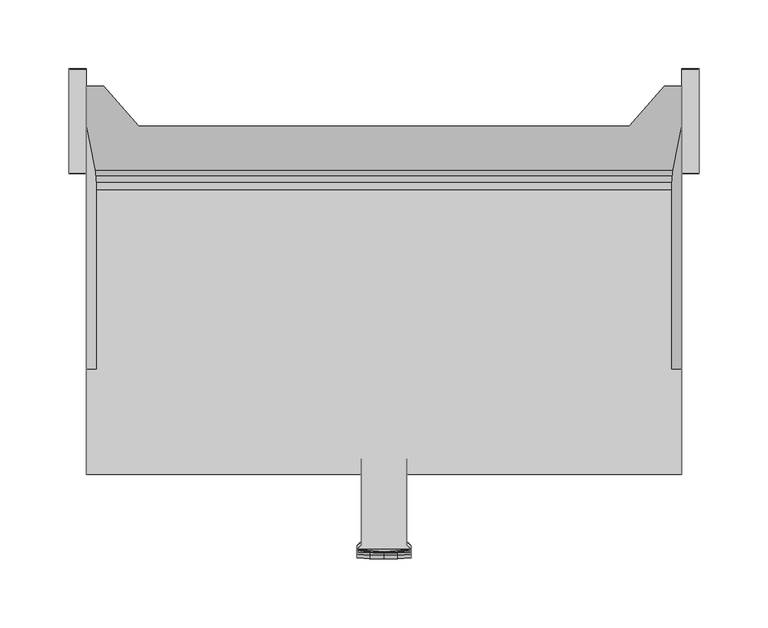
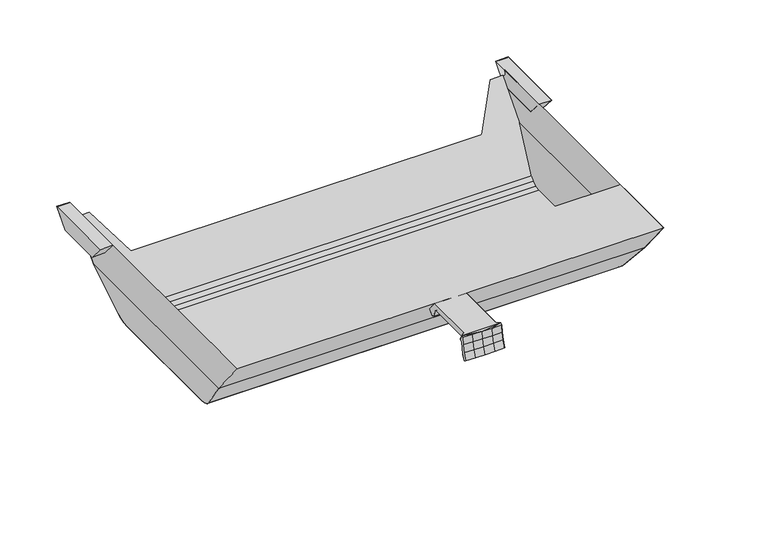
"""IFC4 building model written with IfcOpenShell, lengths in millimetres: furniture geometry."""

from ifc_helpers import new_model, si_unit, origin, place, context, project, spatial, triangles, source, transform, mapped, element, save


def furniture_826e63a0(model_context):
    return source(origin(), model_context, "Body", "Tessellation", [
        triangles([(228.6, 218.2622044, 0.0), (228.6, 232.8371687, -16.8890445), (228.6, 280.2658144, -16.8890445), (228.6, 294.4622044, 0.0), (215.8999939, 218.2622044, 0.0), (215.8999939, 232.8371687, -16.8890445), (215.8999939, 280.2658144, -16.8890445), (215.8999939, 294.4622044, 0.0), (-228.6, 294.4622044, 0.0), (-228.6, 280.2658144, -16.8890445), (-228.6, 232.8371687, -16.8890445), (-228.6, 218.2622044, 0.0), (-215.8999939, 232.8371687, -16.8890445), (-215.8999939, 218.2622044, 0.0), (-215.8999939, 280.2658144, -16.8890445), (-215.8999939, 294.4622044, 0.0), (-19.7702799, -51.6759201, -5.5879998), (19.7702799, -51.6759201, -5.5879998), (-9.9007731, -52.1569318, -5.5879998), (9.9007731, -52.1569318, -5.5879998), (0.0, -52.3177777, -5.5879998), (-16.3830003, -48.7293385, -5.5879998), (16.3830003, -48.7293385, -5.5879998), (19.7702799, -54.3182234, 0.0), (-19.7702799, -54.3182234, 0.0), (0.0, -56.2275681, -1.1901235), (-19.7702799, -55.5857105, -1.1901235), (-9.9007731, -56.0667222, -1.1901235), (19.7702799, -55.5857105, -1.1901235), (9.9007731, -56.0667222, -1.1901235), (16.3830003, -51.3716418, 0.0), (-16.3830003, -51.3716418, 0.0), (19.7702799, -53.7029266, -7.477647), (-19.7702799, -53.7029266, -7.477647), (-9.9007731, -54.1839383, -7.477647), (0.0, -54.3447842, -7.477647), (9.9007731, -54.1839383, -7.477647), (-19.7702799, -54.5755296, -13.2218696), (-19.7702799, -56.4752501, -8.6604333), (-19.7702799, -56.1524319, -18.8139089), (-19.7702799, -58.1880271, -15.9859508), (-19.7702799, -58.409389, -24.1677563), (-19.7702799, -60.7028991, -23.0762441), (19.7702799, -56.4752501, -8.6604333), (19.7702799, -54.5755296, -13.2218696), (19.7702799, -58.1880271, -15.9859508), (19.7702799, -56.1524319, -18.8139089), (19.7702799, -60.7028991, -23.0762441), (19.7702799, -58.409389, -24.1677563), (9.9007731, -58.6690388, -15.9859508), (9.9007731, -61.1839108, -23.0762441), (9.9007731, -56.9562618, -8.6604333), (0.0, -58.8298847, -15.9859508), (0.0, -61.3447567, -23.0762441), (0.0, -57.1171077, -8.6604333), (-9.9007731, -58.6690388, -15.9859508), (-9.9007731, -61.1839108, -23.0762441), (-9.9007731, -56.9562618, -8.6604333), (-9.9007731, -56.6334436, -18.8139089), (-9.9007731, -58.8904007, -24.1677563), (-9.9007731, -55.0565413, -13.2218696), (0.0, -56.7942895, -18.8139089), (0.0, -59.0512421, -24.1677563), (0.0, -55.2173872, -13.2218696), (9.9007731, -56.6334436, -18.8139089), (9.9007731, -58.8904007, -24.1677563), (9.9007731, -55.0565413, -13.2218696), (-16.3830003, 0.57239, -13.9604771), (-16.3830003, 3.547042, -14.7575329), (16.3830003, 0.57239, -13.9604771), (16.3830003, 3.547042, -14.7575329), (16.3830003, 11.2748818, -7.0296922), (-16.3830003, 11.2748818, -7.0296922), (-16.3830003, 10.4140003, -4.8259999), (16.3830003, 10.4140003, -4.8259999), (-16.3830003, -1.418788, -6.5292997), (-16.3830003, 3.5062943, -4.8259999), (16.3830003, 3.5062943, -4.8259999), (16.3830003, -1.418788, -6.5292997), (16.3830003, 0.0, 0.0), (16.3830003, -2.6455138, -5.5879998), (-16.3830003, -2.6455138, -5.5879998), (-16.3830003, 0.0, 0.0), (215.8999939, 281.7621984, -7.6200001), (215.8999939, 252.9783812, -40.1319981), (177.7999939, 252.9783812, -40.1319981), (203.2000061, 281.7621984, -7.6200001), (-215.8999939, 252.9783812, -40.1319981), (-215.8999939, 281.7621984, -7.6200001), (-177.7999939, 252.9783812, -40.1319981), (-203.2000061, 281.7621984, -7.6200001), (-215.8999939, 0.0, 0.0), (-215.8999939, 76.0215679, 0.0), (215.8999939, 76.0215679, 0.0), (215.8999939, 0.0, 0.0), (215.8999939, 277.4511606, -3.056908), (215.8999939, 278.9797737, 0.0), (215.8999939, 278.6234546, -6.2673682), (-215.8999939, 278.9797737, 0.0), (-215.8999939, 277.4511606, -3.056908), (-215.8999939, 278.6234546, -6.2673682), (215.8999939, 32.2653907, -40.1319981), (209.7329285, 60.818576, -75.1071752), (209.6100072, 220.9094629, -75.8043029), (-215.8999939, 32.2653907, -40.1319981), (-209.6100072, 220.9094629, -75.8043029), (-209.7329285, 60.818576, -75.1071752), (-208.4680348, 206.3038137, -82.280788), (208.4680348, 206.3038137, -82.280788), (208.4680348, 76.0215679, -82.280788), (-208.4680348, 76.0215679, -82.280788), (-209.0515929, 65.0754201, -78.9712425), (209.0515929, 65.0754201, -78.9712425), (-208.6172081, 70.2963678, -81.4347731), (208.6172081, 70.2963678, -81.4347731), (-208.6018747, 211.7331335, -81.5217137), (208.6018747, 211.7331335, -81.5217137), (-208.9928392, 216.7334096, -79.3044798), (208.9928392, 216.7334096, -79.3044798)], [[1, 2, 3], [1, 3, 4], [1, 5, 2], [5, 6, 2], [6, 7, 3], [6, 3, 2], [3, 7, 4], [7, 8, 4], [8, 5, 1], [8, 1, 4], [9, 10, 11], [9, 11, 12], [11, 13, 14], [11, 14, 12], [11, 10, 13], [10, 15, 13], [9, 16, 15], [9, 15, 10], [9, 12, 14], [9, 14, 16], [17, 18, 19], [18, 20, 21], [18, 21, 19], [22, 17, 18], [22, 18, 23], [24, 25, 26], [25, 27, 28], [25, 28, 26], [24, 29, 30], [24, 30, 26], [31, 24, 25], [31, 25, 32], [25, 32, 22], [25, 22, 17], [24, 18, 23], [24, 23, 31], [33, 18, 29], [18, 24, 29], [25, 17, 34], [25, 34, 27], [19, 35, 34], [19, 34, 17], [19, 21, 36], [19, 36, 35], [20, 37, 36], [20, 36, 21], [20, 18, 33], [20, 33, 37], [38, 39, 27], [38, 27, 34], [40, 41, 39], [40, 39, 38], [42, 43, 41], [42, 41, 40], [44, 45, 33], [44, 33, 29], [46, 47, 45], [46, 45, 44], [48, 49, 47], [48, 47, 46], [48, 46, 50], [48, 50, 51], [46, 44, 52], [46, 52, 50], [44, 29, 30], [44, 30, 52], [51, 50, 53], [51, 53, 54], [50, 52, 55], [50, 55, 53], [52, 30, 26], [52, 26, 55], [54, 53, 56], [54, 56, 57], [53, 55, 58], [53, 58, 56], [55, 26, 28], [55, 28, 58], [57, 56, 41], [57, 41, 43], [56, 58, 39], [56, 39, 41], [58, 28, 27], [58, 27, 39], [42, 40, 59], [42, 59, 60], [40, 38, 61], [40, 61, 59], [38, 34, 35], [38, 35, 61], [60, 59, 62], [60, 62, 63], [59, 61, 64], [59, 64, 62], [61, 35, 36], [61, 36, 64], [63, 62, 65], [63, 65, 66], [62, 64, 67], [62, 67, 65], [64, 36, 37], [64, 37, 67], [66, 65, 47], [66, 47, 49], [65, 67, 45], [65, 45, 47], [67, 37, 33], [67, 33, 45], [68, 69, 70], [69, 71, 70], [72, 73, 74], [72, 74, 75], [76, 77, 74], [76, 74, 73], [75, 78, 72], [78, 79, 72], [80, 81, 79], [80, 79, 78], [76, 82, 83], [76, 83, 77], [73, 69, 68], [73, 68, 76], [70, 71, 79], [71, 72, 79], [32, 83, 82], [32, 82, 22], [80, 31, 23], [80, 23, 81], [70, 79, 76], [70, 76, 68], [81, 82, 76], [81, 76, 79], [81, 23, 22], [81, 22, 82], [31, 80, 83], [31, 83, 32], [78, 77, 83], [78, 83, 80], [78, 75, 74], [78, 74, 77], [73, 72, 71], [73, 71, 69], [84, 85, 86], [84, 86, 87], [88, 89, 90], [89, 91, 90], [92, 93, 94], [92, 94, 95], [96, 97, 95], [95, 84, 98], [95, 98, 96], [92, 99, 100], [101, 89, 92], [101, 92, 100], [95, 102, 85], [95, 85, 84], [103, 104, 85], [103, 85, 102], [88, 105, 92], [88, 92, 89], [88, 106, 107], [88, 107, 105], [105, 102, 95], [105, 95, 92], [105, 107, 102], [107, 103, 102], [85, 104, 106], [85, 106, 88], [108, 109, 110], [108, 110, 111], [107, 112, 113], [107, 113, 103], [112, 114, 115], [112, 115, 113], [114, 111, 110], [114, 110, 115], [116, 117, 109], [116, 109, 108], [118, 119, 117], [118, 117, 116], [106, 104, 119], [106, 119, 118], [109, 117, 115], [109, 115, 110], [117, 119, 113], [117, 113, 115], [119, 104, 103], [119, 103, 113], [111, 114, 108], [114, 116, 108], [114, 112, 116], [112, 118, 116], [112, 107, 106], [112, 106, 118]], closed=False),
    ])


if __name__ == "__main__":
    model = new_model("IFC4")
    model_context = context("Model", 3, world=origin())
    ifc_project = project(units=[si_unit("LENGTHUNIT", "METRE", prefix="MILLI")], contexts=[model_context])
    site = spatial("IfcSite", under=ifc_project)
    building = spatial("IfcBuilding", under=site)
    placement = place(None, origin())
    furniture_shape = furniture_826e63a0(model_context)
    element("IfcFurniture", 1, at=placement, inside=building, context=model_context, shape_type="MappedRepresentation", body=[
        mapped(furniture_shape, transform((0.0, 0.0, 0.0), x_axis=(1.0, 0.0, 0.0), y_axis=(0.0, 1.0, 0.0), z_axis=(0.0, 0.0, 1.0))),
    ])
    save(model, "model.ifc")
